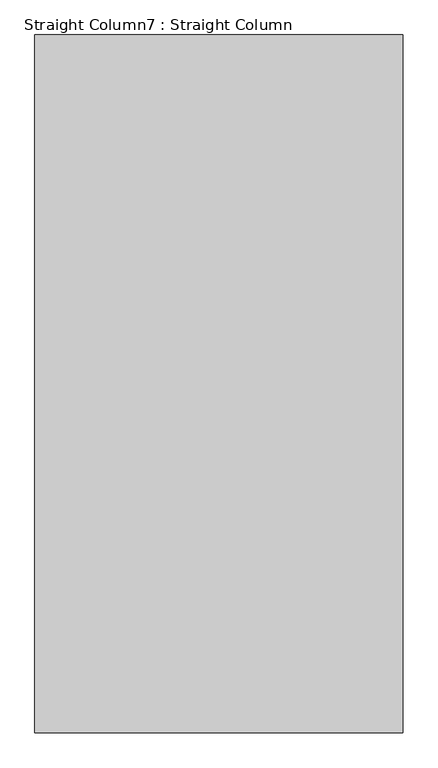
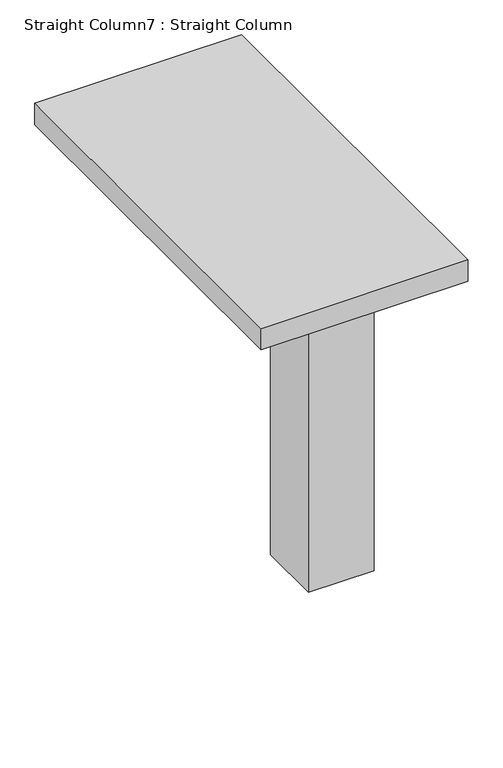
"""IFC4 building model written with IfcOpenShell, lengths in millimetres: column geometry, Straight Column7 : Straight Column."""

from ifc_helpers import new_model, si_unit, frame, origin, origin_with_axes, place, context, project, spatial, polyline, outline, extrude, source, transform, mapped, element, save


def straight_column7_straight_column_fe57dd8b(model_context):
    return source(origin(), model_context, "Body", "SweptSolid", [
        extrude(outline(polyline([(17831.4351689, 26517.6000002), (16383.636714, 26517.6000002), (16383.636714, 29260.8000003), (17831.4351689, 29260.8000003), (17831.4351689, 26517.6000002)])), frame((0.0, 0.0, 2832.1), z_axis=(0.0, 0.0, 1.0), x_axis=(1.0, 0.0, 0.0)), (0.0, 0.0, 1.0), 158.75),
        extrude(outline(polyline([(17831.4351689, 27660.6000003), (17374.2351689, 27660.6000003), (17374.2351689, 28117.8000003), (17831.4351689, 28117.8000003), (17831.4351689, 27660.6000003)])), origin_with_axes(), (0.0, 0.0, 1.0), 2832.1),
    ])


if __name__ == "__main__":
    model = new_model("IFC4")
    model_context = context("Model", 3, world=origin())
    ifc_project = project(units=[si_unit("LENGTHUNIT", "METRE", prefix="MILLI")], contexts=[model_context])
    site = spatial("IfcSite", under=ifc_project)
    building = spatial("IfcBuilding", under=site)
    placement = place(None, origin())
    straight_column7_straight_column_shape = straight_column7_straight_column_fe57dd8b(model_context)
    element("IfcColumn", 1, ObjectType="Straight Column7 : Straight Column", at=placement, inside=building, context=model_context, shape_type="MappedRepresentation", body=[
        mapped(straight_column7_straight_column_shape, transform((0.0, 0.0, 0.0), x_axis=(1.0, 0.0, 0.0), y_axis=(0.0, 1.0, 0.0), z_axis=(0.0, 0.0, 1.0))),
    ])
    save(model, "model.ifc")
